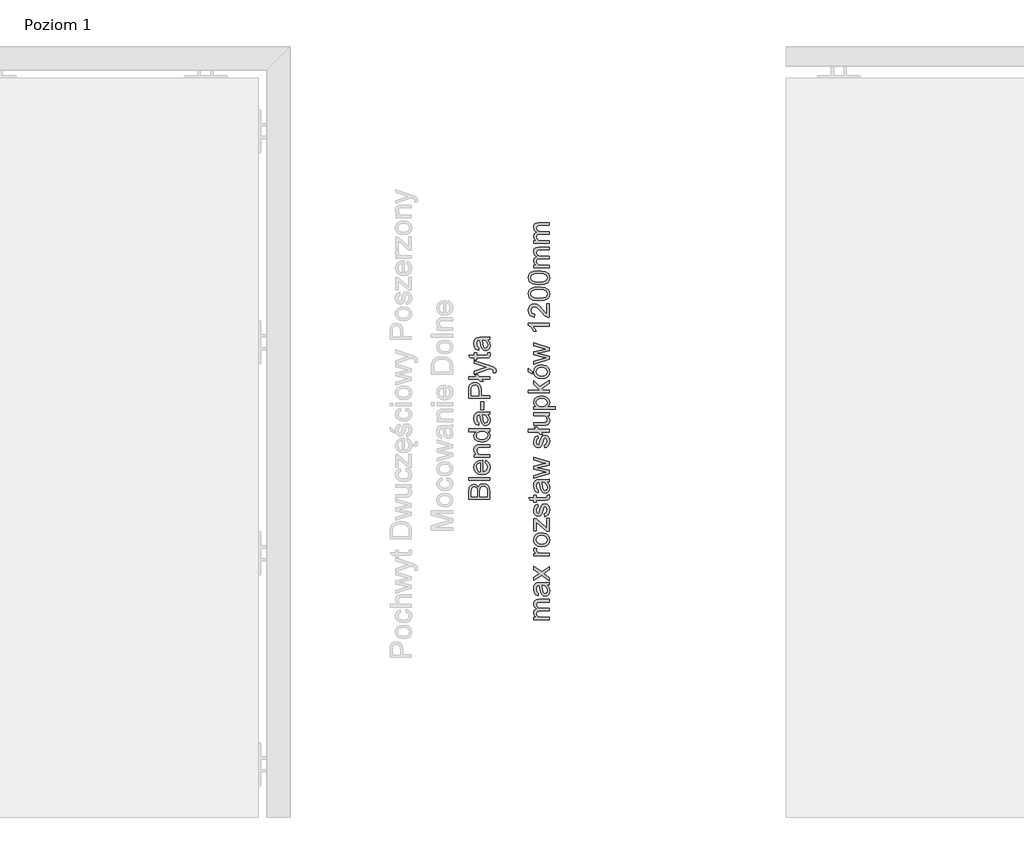
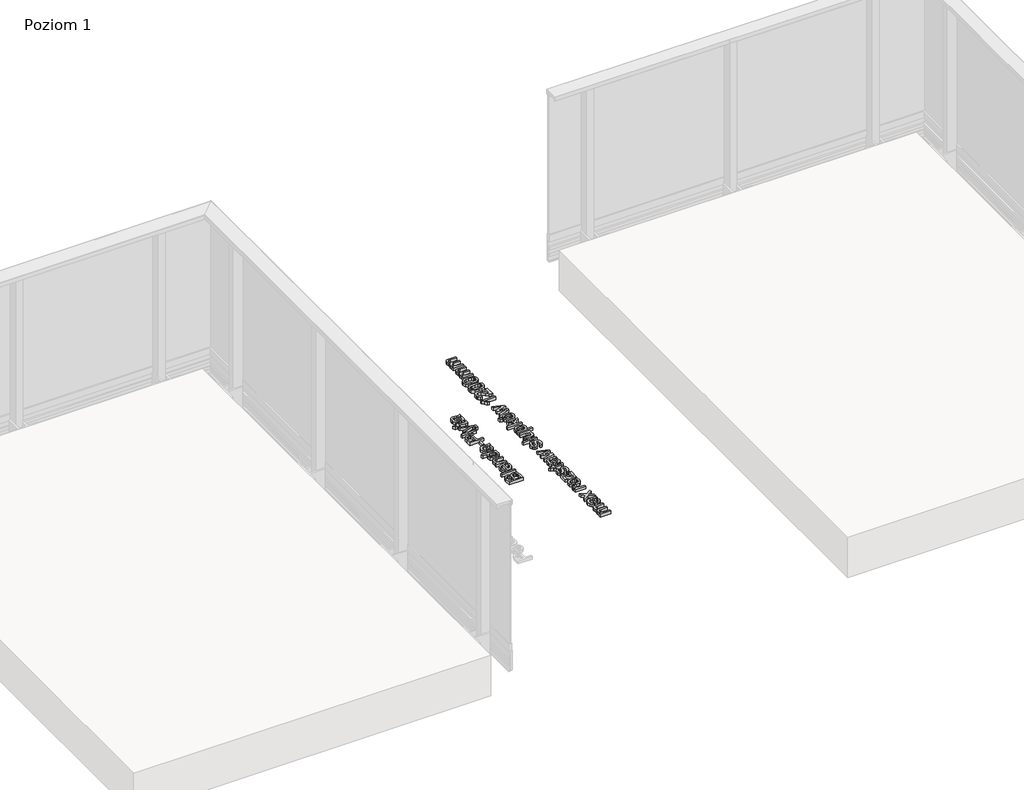
# One storey, part 20 of 35: 2 proxies.
"""IFC4 building model written with IfcOpenShell, lengths in millimetres."""

from ifc_helpers import new_model, si_unit, origin, origin_with_axes, place, context, project, spatial, polyline, outline, extrude, element, save

model = new_model("IFC4")

# Units and contexts
model_context = context("Model", 3, world=origin())
ifc_project = project(units=[si_unit("LENGTHUNIT", "METRE", prefix="MILLI")], contexts=[model_context])

# Site, building, storey
site = spatial("IfcSite", under=ifc_project)
building = spatial("IfcBuilding", under=site)
storey = spatial("IfcBuildingStorey", under=building, Name="Poziom 1", Elevation=0.0)

# Proxies
placement = place(None, origin())
element("IfcBuildingElementProxy", 1, Name="Generic Models", at=placement, inside=storey, context=model_context, shape_type="SweptSolid", body=[
    extrude(outline(polyline([(15487.3598268, -8124.2917723), (15386.9035167, -8124.2917723), (15386.9035167, -8085.9584684), (15389.8588354, -8067.184224), (15398.9455207, -8056.0987132), (15411.796865, -8052.0887994), (15423.5323007, -8055.461051), (15432.4227822, -8065.6513823), (15441.7915104, -8053.2782845), (15457.4142324, -8048.9495397), (15470.9155017, -8051.9048584), (15480.5294845, -8059.2257101), (15485.6307815, -8070.1518054), (15487.3598268, -8086.252774), (15487.3598268, -8124.2917723)]), holes=[polyline([(15427.7138927, -8111.7347336), (15427.7138927, -8088.8034225), (15426.6347722, -8075.4125179), (15421.9871963, -8067.3559022), (15413.8079533, -8064.6458382), (15405.6164475, -8067.1719612), (15400.7726679, -8074.4069738), (15399.4605555, -8090.5447307), (15399.4605555, -8111.7347336), (15427.7138927, -8111.7347336)]), polyline([(15474.8027881, -8111.7347336), (15474.8027881, -8085.9829939), (15474.3122788, -8076.6633167), (15471.5776893, -8068.7783793), (15465.9981457, -8063.5544549), (15457.5368598, -8061.5065785), (15447.7757242, -8063.9100742), (15441.9509259, -8071.6969098), (15440.2709315, -8087.2092672), (15440.2709315, -8111.7347336), (15474.8027881, -8111.7347336)])]), origin_with_axes(), (0.0, 0.0, 1.0), 20.0),
    extrude(outline(polyline([(15487.3598268, -8033.2532413), (15386.9035167, -8033.2532413), (15386.9035167, -8020.6962025), (15487.3598268, -8020.6962025), (15487.3598268, -8033.2532413)])), origin_with_axes(), (0.0, 0.0, 1.0), 20.0),
    extrude(outline(polyline([(15465.385009, -7950.2100122), (15466.9546388, -7937.8982281), (15476.2313965, -7942.3342718), (15483.1659721, -7949.4129346), (15487.4885855, -7958.9748008), (15488.9294567, -7970.8604549), (15486.4431875, -7985.5941288), (15478.9843801, -7996.9310256), (15467.0374123, -8004.1599068), (15451.0866621, -8006.5695339), (15434.5994174, -8004.1353814), (15422.2692392, -7996.8329237), (15414.5805055, -7985.6493111), (15412.0175942, -7971.5716934), (15414.5743741, -7957.9324684), (15422.2447137, -7947.0339643), (15434.5503664, -7939.8878566), (15451.0130857, -7937.5058207), (15454.3976001, -7937.5793971), (15454.3976001, -7994.0124951), (15463.7969851, -7991.8389257), (15470.7070352, -7986.7897453), (15474.9560722, -7979.5026161), (15476.3724179, -7970.6152002), (15473.748193, -7958.3034161), (15465.385009, -7950.2100122)]), holes=[polyline([(15441.8405613, -7994.0124951), (15441.8405613, -7950.0628594), (15430.4607449, -7955.09058), (15426.046161, -7962.4114317), (15424.574633, -7971.6207443), (15429.2712598, -7987.0840509), (15434.7618986, -7991.9492903), (15441.8405613, -7994.0124951)])]), origin_with_axes(), (0.0, 0.0, 1.0), 20.0),
    extrude(outline(polyline([(15487.3598268, -7924.9487819), (15413.5872241, -7924.9487819), (15413.5872241, -7912.3917431), (15423.8879199, -7912.3917431), (15414.9851757, -7902.790023), (15412.0175942, -7889.6811613), (15414.4088272, -7877.8230983), (15420.6873466, -7869.7296944), (15429.9211847, -7865.9650353), (15442.0612905, -7865.3028477), (15487.3598268, -7865.3028477), (15487.3598268, -7877.8598865), (15443.7535477, -7877.8598865), (15432.6435114, -7879.306889), (15426.7696622, -7884.4204488), (15424.574633, -7893.0411502), (15429.5042517, -7906.6650467), (15436.6472938, -7910.960069), (15448.2171826, -7912.3917431), (15487.3598268, -7912.3917431), (15487.3598268, -7924.9487819)])), origin_with_axes(), (0.0, 0.0, 1.0), 20.0),
    extrude(outline(polyline([(15487.3598268, -7802.5176539), (15475.5140266, -7802.5176539), (15485.5755992, -7810.8256556), (15488.9294567, -7822.3097052), (15484.0734144, -7837.8588509), (15470.5230942, -7848.8462598), (15450.5471019, -7852.745809), (15430.5588468, -7849.1528282), (15416.8000602, -7838.3861484), (15412.0175942, -7822.3587562), (15415.4388968, -7810.7827361), (15424.3293783, -7802.5176539), (15386.9035167, -7802.5176539), (15386.9035167, -7789.9606151), (15487.3598268, -7789.9606151), (15487.3598268, -7802.5176539)]), holes=[polyline([(15450.4980509, -7840.1887702), (15461.8564075, -7838.7724245), (15469.934483, -7834.5233875), (15474.7629342, -7828.3491013), (15476.3724179, -7821.1570083), (15474.8365106, -7813.967981), (15470.2287886, -7807.9500447), (15462.4634128, -7803.8757516), (15451.4545441, -7802.5176539), (15439.4186715, -7803.9002771), (15431.0738816, -7808.0481466), (15426.1994452, -7814.219367), (15424.574633, -7821.6720431), (15426.1350658, -7828.9377125), (15430.8163642, -7834.8912695), (15438.8576515, -7838.864395), (15450.4980509, -7840.1887702)])]), origin_with_axes(), (0.0, 0.0, 1.0), 20.0),
    extrude(outline(polyline([(15477.9420478, -7724.0361616), (15486.4523846, -7736.2130556), (15488.9294567, -7749.6652739), (15487.4395346, -7760.1591078), (15482.9697684, -7767.8999581), (15476.1823456, -7772.673227), (15467.7394538, -7774.2643167), (15457.8066399, -7771.860821), (15450.5961528, -7765.5455134), (15446.4758745, -7756.7531337), (15444.5874135, -7745.8883521), (15440.2709315, -7724.109738), (15437.4750283, -7724.0361616), (15428.204402, -7727.4942523), (15424.574633, -7741.3756663), (15426.9903914, -7754.0798579), (15435.5620419, -7760.1376481), (15433.9924121, -7772.6946868), (15421.7296789, -7767.262296), (15414.5437173, -7756.323938), (15412.0175942, -7739.7569855), (15414.2494117, -7724.5389337), (15419.8534807, -7715.9427577), (15428.3760803, -7712.0922595), (15439.3634892, -7711.4791228), (15454.9862113, -7711.4791228), (15476.8016136, -7710.8414607), (15487.3598268, -7708.3398631), (15487.3598268, -7720.8969019), (15477.9420478, -7724.0361616)]), holes=[polyline([(15452.8279702, -7724.0361616), (15456.6784685, -7744.2941968), (15458.7140822, -7755.0976647), (15462.0250201, -7759.9904953), (15466.856537, -7761.7072779), (15473.6500912, -7757.9671443), (15476.3724179, -7746.9919981), (15473.3680483, -7734.2878065), (15466.0962475, -7726.0963008), (15456.3841629, -7724.109738), (15452.8279702, -7724.0361616)])]), origin_with_axes(), (0.0, 0.0, 1.0), 20.0),
    extrude(outline(polyline([(15457.5368598, -7700.4917139), (15444.979821, -7700.4917139), (15444.979821, -7661.2509677), (15457.5368598, -7661.2509677), (15457.5368598, -7700.4917139)])), origin_with_axes(), (0.0, 0.0, 1.0), 20.0),
    extrude(outline(polyline([(15487.3598268, -7645.5546693), (15386.9035167, -7645.5546693), (15386.9035167, -7608.3250114), (15387.8600099, -7593.315426), (15392.5566367, -7581.1140065), (15402.2687214, -7573.2045436), (15415.9661943, -7570.2124367), (15427.8058632, -7572.232722), (15437.671232, -7578.2935778), (15444.3298961, -7589.627409), (15446.5494509, -7607.4666201), (15446.5494509, -7632.9976305), (15487.3598268, -7632.9976305), (15487.3598268, -7645.5546693)]), holes=[polyline([(15433.9924121, -7632.9976305), (15433.9924121, -7606.7308561), (15429.3816244, -7588.2386544), (15423.8327376, -7584.1367702), (15416.4076527, -7582.7694754), (15406.008855, -7585.9945743), (15400.3189468, -7594.4681229), (15399.4605555, -7607.0251617), (15399.4605555, -7632.9976305), (15433.9924121, -7632.9976305)])]), origin_with_axes(), (0.0, 0.0, 1.0), 20.0),
    extrude(outline(polyline([(15447.6530968, -7554.5161382), (15455.182415, -7563.9339173), (15441.0557464, -7563.9339173), (15433.5264282, -7554.5161382), (15386.9035167, -7554.5161382), (15386.9035167, -7541.9590994), (15423.470987, -7541.9590994), (15415.9416689, -7532.5413204), (15430.0683375, -7532.5413204), (15437.5976556, -7541.9590994), (15487.3598268, -7541.9590994), (15487.3598268, -7554.5161382), (15447.6530968, -7554.5161382)])), origin_with_axes(), (0.0, 0.0, 1.0), 20.0),
    extrude(outline(polyline([(15515.6131641, -7523.1235413), (15503.5221092, -7524.6931711), (15504.6257552, -7518.3165499), (15503.2400663, -7512.3568616), (15499.3773054, -7508.7025671), (15490.1312045, -7505.2690018), (15487.0900467, -7504.2879831), (15413.5872241, -7530.9716905), (15413.5872241, -7517.7279387), (15454.5447529, -7503.5767446), (15470.9277644, -7498.6471259), (15456.4577393, -7493.7175071), (15413.5872241, -7479.1739056), (15413.5872241, -7466.0282556), (15489.1256604, -7491.7064189), (15505.5086719, -7498.3773458), (15514.3623653, -7505.6614093), (15517.1827939, -7515.4470703), (15515.6131641, -7523.1235413)])), origin_with_axes(), (0.0, 0.0, 1.0), 20.0),
    extrude(outline(polyline([(15476.8874527, -7428.9457505), (15487.7277088, -7427.3761207), (15488.9294567, -7436.7693743), (15486.8447921, -7447.2907994), (15481.3756131, -7452.5392492), (15467.1263171, -7454.0598281), (15426.1442629, -7454.0598281), (15426.1442629, -7463.4776071), (15413.5872241, -7463.4776071), (15413.5872241, -7454.0598281), (15395.6591082, -7454.0598281), (15388.2769428, -7441.5027893), (15413.5872241, -7441.5027893), (15413.5872241, -7428.9457505), (15426.1442629, -7428.9457505), (15426.1442629, -7441.5027893), (15466.7584351, -7441.5027893), (15473.2331582, -7440.8406017), (15475.5262893, -7438.6946234), (15476.3724179, -7434.4149295), (15476.8874527, -7428.9457505)])), origin_with_axes(), (0.0, 0.0, 1.0), 20.0),
    extrude(outline(polyline([(15477.9420478, -7369.2998164), (15486.4523846, -7381.4767104), (15488.9294567, -7394.9289287), (15487.4395346, -7405.4227626), (15482.9697684, -7413.1636129), (15476.1823456, -7417.9368818), (15467.7394538, -7419.5279715), (15457.8066399, -7417.1244757), (15450.5961528, -7410.8091682), (15446.4758745, -7402.0167885), (15444.5874135, -7391.1520069), (15440.2709315, -7369.3733928), (15437.4750283, -7369.2998164), (15428.204402, -7372.7579071), (15424.574633, -7386.6393211), (15426.9903914, -7399.3435126), (15435.5620419, -7405.4013028), (15433.9924121, -7417.9583416), (15421.7296789, -7412.5259508), (15414.5437173, -7401.5875928), (15412.0175942, -7385.0206403), (15414.2494117, -7369.8025884), (15419.8534807, -7361.2064125), (15428.3760803, -7357.3559143), (15439.3634892, -7356.7427776), (15454.9862113, -7356.7427776), (15476.8016136, -7356.1051155), (15487.3598268, -7353.6035179), (15487.3598268, -7366.1605567), (15477.9420478, -7369.2998164)]), holes=[polyline([(15452.8279702, -7369.2998164), (15456.6784685, -7389.5578516), (15458.7140822, -7400.3613195), (15462.0250201, -7405.25415), (15466.856537, -7406.9709327), (15473.6500912, -7403.2307991), (15476.3724179, -7392.2556529), (15473.3680483, -7379.5514613), (15466.0962475, -7371.3599555), (15456.3841629, -7369.3733928), (15452.8279702, -7369.2998164)])]), origin_with_axes(), (0.0, 0.0, 1.0), 20.0),
])
element("IfcBuildingElementProxy", 2, Name="Generic Models", at=placement, inside=storey, context=model_context, shape_type="SweptSolid", body=[
    extrude(outline(polyline([(15769.7173752, -8695.0976583), (15695.9447724, -8695.0976583), (15695.9447724, -8682.5406196), (15708.0848783, -8682.5406196), (15698.1398017, -8673.9076554), (15694.3751426, -8661.6203968), (15698.2133781, -8649.0388325), (15708.9677951, -8642.122651), (15698.0233057, -8632.3247272), (15694.3751426, -8619.9516294), (15695.8926558, -8610.5123906), (15700.4451955, -8603.5318297), (15708.155389, -8599.2184133), (15719.1458636, -8597.7806079), (15769.7173752, -8597.7806079), (15769.7173752, -8610.3376466), (15724.5414662, -8610.3376466), (15714.0568293, -8611.5026063), (15708.8942187, -8615.7209865), (15706.9321813, -8622.8946854), (15711.959902, -8635.2432577), (15718.5020701, -8638.9312747), (15728.0731333, -8640.1606137), (15769.7173752, -8640.1606137), (15769.7173752, -8652.7176525), (15723.1435146, -8652.7176525), (15710.9788833, -8655.6239202), (15706.9321813, -8665.1520639), (15709.6299826, -8674.4472157), (15717.5271828, -8680.6276332), (15732.5122427, -8682.5406196), (15769.7173752, -8682.5406196), (15769.7173752, -8695.0976583)])), origin_with_axes(), (0.0, 0.0, 1.0), 20.0),
    extrude(outline(polyline([(15760.2995961, -8531.8561543), (15768.8099329, -8544.0330484), (15771.287005, -8557.4852667), (15769.797083, -8567.9791006), (15765.3273167, -8575.7199509), (15758.5398939, -8580.4932198), (15750.0970021, -8582.0843094), (15740.1641882, -8579.6808137), (15732.9537011, -8573.3655061), (15728.8334228, -8564.5731264), (15726.9449619, -8553.7083448), (15722.6284798, -8531.9297307), (15719.8325766, -8531.8561543), (15710.5619504, -8535.3142451), (15706.9321813, -8549.195659), (15709.3479398, -8561.8998506), (15717.9195903, -8567.9576408), (15716.3499604, -8580.5146796), (15704.0872273, -8575.0822888), (15696.9012656, -8564.1439308), (15694.3751426, -8547.5769783), (15696.60696, -8532.3589264), (15702.2110291, -8523.7627504), (15710.7336286, -8519.9122522), (15721.7210376, -8519.2991156), (15737.3437596, -8519.2991156), (15759.1591619, -8518.6614534), (15769.7173752, -8516.1598559), (15769.7173752, -8528.7168946), (15760.2995961, -8531.8561543)]), holes=[polyline([(15735.1855186, -8531.8561543), (15739.0360168, -8552.1141895), (15741.0716305, -8562.9176575), (15744.3825685, -8567.810488), (15749.2140853, -8569.5272706), (15756.0076395, -8565.787137), (15758.7299663, -8554.8119908), (15755.7255966, -8542.1077993), (15748.4537959, -8533.9162935), (15738.7417112, -8531.9297307), (15735.1855186, -8531.8561543)])]), origin_with_axes(), (0.0, 0.0, 1.0), 20.0),
    extrude(outline(polyline([(15769.7173752, -8509.8813365), (15732.6348701, -8483.0504763), (15695.9447724, -8508.3117066), (15695.9447724, -8493.2040194), (15713.6031082, -8481.0148626), (15721.9417668, -8475.3249544), (15715.1236871, -8470.3953357), (15695.9447724, -8456.5139217), (15695.9447724, -8441.4062344), (15732.6348701, -8467.942789), (15769.7173752, -8442.3872531), (15769.7173752, -8457.4949404), (15747.4237263, -8472.8724078), (15743.3524989, -8475.6928364), (15769.7173752, -8494.7736492), (15769.7173752, -8509.8813365)])), origin_with_axes(), (0.0, 0.0, 1.0), 20.0),
    extrude(outline(polyline([(15769.7173752, -8392.159098), (15695.9447724, -8392.159098), (15695.9447724, -8381.1716891), (15706.858605, -8381.1716891), (15696.8031637, -8373.3725908), (15694.3751426, -8365.5244416), (15698.2501663, -8352.9183519), (15709.5073553, -8357.1122066), (15706.9321813, -8365.9413745), (15709.4092535, -8373.041497), (15716.276384, -8377.5664456), (15730.9426129, -8379.6020593), (15769.7173752, -8379.6020593), (15769.7173752, -8392.159098)])), origin_with_axes(), (0.0, 0.0, 1.0), 20.0),
    extrude(outline(polyline([(15732.8310738, -8348.2094623), (15715.0439793, -8345.4932669), (15702.5421229, -8337.3446807), (15696.4168877, -8327.2769768), (15694.3751426, -8315.2227101), (15696.8614117, -8302.0310749), (15704.3202192, -8291.4943214), (15716.1629537, -8284.587337), (15731.8010042, -8282.2850088), (15754.1437041, -8286.3562362), (15766.786582, -8298.2142992), (15771.287005, -8315.2227101), (15768.8099329, -8328.5737608), (15761.3787166, -8339.0982516), (15749.2876617, -8345.9316596), (15732.8310738, -8348.2094623)]), holes=[polyline([(15732.8065483, -8335.6524236), (15744.1710363, -8334.1992897), (15752.2675059, -8329.839888), (15757.1143512, -8323.2793258), (15758.7299663, -8315.2227101), (15757.1051541, -8307.2028826), (15752.2307177, -8300.6545831), (15744.0269492, -8296.2951815), (15732.4141409, -8294.8420476), (15721.3807467, -8296.3043785), (15713.3946417, -8300.6913713), (15708.5477964, -8307.2488679), (15706.9321813, -8315.2227101), (15708.5416651, -8323.2793258), (15713.3701163, -8329.839888), (15721.4481917, -8334.1992897), (15732.8065483, -8335.6524236)])]), origin_with_axes(), (0.0, 0.0, 1.0), 20.0),
    extrude(outline(polyline([(15769.7173752, -8276.0064894), (15757.8961004, -8276.0064894), (15708.5018112, -8232.6699904), (15708.5018112, -8245.4968093), (15708.5018112, -8272.8672297), (15695.9447724, -8272.8672297), (15695.9447724, -8214.7909254), (15706.6133503, -8214.7909254), (15750.4403586, -8253.2223312), (15757.1603364, -8259.1084431), (15757.1603364, -8244.589367), (15757.1603364, -8213.2212956), (15769.7173752, -8213.2212956), (15769.7173752, -8276.0064894)])), origin_with_axes(), (0.0, 0.0, 1.0), 20.0),
    extrude(outline(polyline([(15747.7425573, -8205.3731463), (15746.1729275, -8192.8161076), (15755.4926047, -8187.003572), (15758.7299663, -8173.6862438), (15755.7623848, -8160.8839504), (15748.7971524, -8156.7146211), (15743.1562951, -8160.9084759), (15739.5755771, -8173.8333966), (15733.4319477, -8192.7425312), (15726.2582488, -8200.9953506), (15716.1292312, -8203.8035165), (15706.7727658, -8201.5471736), (15699.6235924, -8195.3912815), (15695.9079842, -8187.4082422), (15694.3751426, -8176.6047743), (15696.8399519, -8161.3254088), (15703.5108788, -8151.6133241), (15714.7803306, -8147.296842), (15716.3499604, -8159.8538808), (15709.4215162, -8164.5750331), (15706.9321813, -8175.6237557), (15709.3111516, -8187.6412342), (15714.853907, -8191.2464777), (15718.5082015, -8189.7504243), (15721.2795792, -8185.0660602), (15723.952855, -8174.2503296), (15729.8634924, -8155.8194416), (15736.5589447, -8147.2600538), (15747.4727772, -8144.1575823), (15759.4902557, -8147.7996141), (15768.209059, -8158.3087764), (15771.287005, -8173.8579221), (15769.8032143, -8186.5191941), (15765.3518422, -8195.7591635), (15757.9819395, -8201.9273183), (15747.7425573, -8205.3731463)])), origin_with_axes(), (0.0, 0.0, 1.0), 20.0),
    extrude(outline(polyline([(15759.2450011, -8103.3472063), (15770.0852572, -8101.7775765), (15771.287005, -8111.1708301), (15769.2023404, -8121.6922552), (15763.7331614, -8126.940705), (15749.4838655, -8128.4612839), (15708.5018112, -8128.4612839), (15708.5018112, -8137.879063), (15695.9447724, -8137.879063), (15695.9447724, -8128.4612839), (15678.0166565, -8128.4612839), (15670.6344912, -8115.9042451), (15695.9447724, -8115.9042451), (15695.9447724, -8103.3472063), (15708.5018112, -8103.3472063), (15708.5018112, -8115.9042451), (15749.1159835, -8115.9042451), (15755.5907066, -8115.2420575), (15757.8838377, -8113.0960792), (15758.7299663, -8108.8163853), (15759.2450011, -8103.3472063)])), origin_with_axes(), (0.0, 0.0, 1.0), 20.0),
    extrude(outline(polyline([(15760.2995961, -8043.7012722), (15768.8099329, -8055.8781662), (15771.287005, -8069.3303845), (15769.797083, -8079.8242184), (15765.3273167, -8087.5650688), (15758.5398939, -8092.3383376), (15750.0970021, -8093.9294273), (15740.1641882, -8091.5259316), (15732.9537011, -8085.210624), (15728.8334228, -8076.4182443), (15726.9449619, -8065.5534627), (15722.6284798, -8043.7748486), (15719.8325766, -8043.7012722), (15710.5619504, -8047.1593629), (15706.9321813, -8061.0407769), (15709.3479398, -8073.7449685), (15717.9195903, -8079.8027587), (15716.3499604, -8092.3597974), (15704.0872273, -8086.9274066), (15696.9012656, -8075.9890486), (15694.3751426, -8059.4220961), (15696.60696, -8044.2040443), (15702.2110291, -8035.6078683), (15710.7336286, -8031.7573701), (15721.7210376, -8031.1442334), (15737.3437596, -8031.1442334), (15759.1591619, -8030.5065713), (15769.7173752, -8028.0049737), (15769.7173752, -8040.5620125), (15760.2995961, -8043.7012722)]), holes=[polyline([(15735.1855186, -8043.7012722), (15739.0360168, -8063.9593074), (15741.0716305, -8074.7627753), (15744.3825685, -8079.6556059), (15749.2140853, -8081.3723885), (15756.0076395, -8077.6322549), (15758.7299663, -8066.6571087), (15755.7255966, -8053.9529171), (15748.4537959, -8045.7614114), (15738.7417112, -8043.7748486), (15735.1855186, -8043.7012722)])]), origin_with_axes(), (0.0, 0.0, 1.0), 20.0),
    extrude(outline(polyline([(15769.7173752, -8001.6400974), (15695.9447724, -8024.0808991), (15695.9447724, -8011.033351), (15738.9869659, -7998.304634), (15754.3644333, -7994.5031867), (15739.5510516, -7991.3884525), (15695.9447724, -7981.2594349), (15695.9447724, -7966.2989004), (15739.4284243, -7956.2189337), (15752.8438543, -7953.447556), (15738.6926603, -7949.4744305), (15695.9447724, -7936.721188), (15695.9447724, -7923.624589), (15769.7173752, -7946.2370689), (15769.7173752, -7961.4183326), (15726.4544526, -7971.0568409), (15712.9654461, -7973.852744), (15769.7173752, -7986.2871555), (15769.7173752, -8001.6400974)])), origin_with_axes(), (0.0, 0.0, 1.0), 20.0),
    extrude(outline(polyline([(15747.7425573, -7880.4597682), (15746.1729275, -7867.9027294), (15755.4926047, -7862.0901939), (15758.7299663, -7848.7728657), (15755.7623848, -7835.9705723), (15748.7971524, -7831.801243), (15743.1562951, -7835.9950977), (15739.5755771, -7848.9200185), (15733.4319477, -7867.829153), (15726.2582488, -7876.0819725), (15716.1292312, -7878.8901384), (15706.7727658, -7876.6337955), (15699.6235924, -7870.4779034), (15695.9079842, -7862.4948641), (15694.3751426, -7851.6913962), (15696.8399519, -7836.4120306), (15703.5108788, -7826.699946), (15714.7803306, -7822.3834639), (15716.3499604, -7834.9405027), (15709.4215162, -7839.6616549), (15706.9321813, -7850.7103775), (15709.3111516, -7862.727856), (15714.853907, -7866.3330996), (15718.5082015, -7864.8370461), (15721.2795792, -7860.1526821), (15723.952855, -7849.3369514), (15729.8634924, -7830.9060635), (15736.5589447, -7822.3466757), (15747.4727772, -7819.2442042), (15759.4902557, -7822.886236), (15768.209059, -7833.3953983), (15771.287005, -7848.9445439), (15769.8032143, -7861.6058159), (15765.3518422, -7870.8457854), (15757.9819395, -7877.0139402), (15747.7425573, -7880.4597682)])), origin_with_axes(), (0.0, 0.0, 1.0), 20.0),
    extrude(outline(polyline([(15730.0106452, -7805.1175356), (15737.5399633, -7814.5353147), (15723.4132947, -7814.5353147), (15715.8839766, -7805.1175356), (15669.261065, -7805.1175356), (15669.261065, -7792.5604968), (15705.8285354, -7792.5604968), (15698.2992172, -7783.1427177), (15712.4258858, -7783.1427177), (15719.955204, -7792.5604968), (15769.7173752, -7792.5604968), (15769.7173752, -7805.1175356), (15730.0106452, -7805.1175356)])), origin_with_axes(), (0.0, 0.0, 1.0), 20.0),
    extrude(outline(polyline([(15769.7173752, -7726.6360433), (15757.0377091, -7726.6360433), (15767.7246811, -7736.4707553), (15771.287005, -7749.2975742), (15768.7854075, -7761.1065862), (15762.5068881, -7769.2490411), (15753.2607873, -7772.9891747), (15741.5866653, -7773.7249387), (15695.9447724, -7773.7249387), (15695.9447724, -7761.1678999), (15735.6760279, -7761.1678999), (15748.4783213, -7760.4076104), (15755.9953768, -7755.4412035), (15758.7299663, -7746.0847381), (15755.9340631, -7735.6001012), (15748.3189058, -7728.671657), (15734.3271273, -7726.6360433), (15695.9447724, -7726.6360433), (15695.9447724, -7714.0790045), (15769.7173752, -7714.0790045), (15769.7173752, -7726.6360433)])), origin_with_axes(), (0.0, 0.0, 1.0), 20.0),
    extrude(outline(polyline([(15797.9707124, -7696.8130762), (15695.9447724, -7696.8130762), (15695.9447724, -7684.2560374), (15708.2565565, -7684.2560374), (15697.8454961, -7675.5740224), (15694.3751426, -7663.8508494), (15699.2311849, -7647.9338218), (15712.9163951, -7637.5350241), (15732.2669881, -7634.0278824), (15752.6108624, -7637.9887452), (15766.4677509, -7649.4911889), (15771.287005, -7665.3714284), (15768.0619062, -7676.2975236), (15759.9071887, -7684.2560374), (15797.9707124, -7684.2560374), (15797.9707124, -7696.8130762)]), holes=[polyline([(15733.419685, -7684.2560374), (15744.6768741, -7682.8979397), (15752.5495488, -7678.8236466), (15757.1848619, -7672.8118417), (15758.7299663, -7665.6412085), (15757.1296796, -7658.3540793), (15752.3288196, -7652.1889902), (15744.1679706, -7647.9859384), (15732.4877173, -7646.5849211), (15721.2918419, -7647.9522159), (15713.3088026, -7652.0541001), (15708.5263367, -7658.056708), (15706.9321813, -7665.1261737), (15708.6275042, -7672.2232305), (15713.7134728, -7678.4557647), (15722.0306716, -7682.8059692), (15733.419685, -7684.2560374)])]), origin_with_axes(), (0.0, 0.0, 1.0), 20.0),
    extrude(outline(polyline([(15769.7173752, -7619.9012138), (15669.261065, -7619.9012138), (15669.261065, -7607.344175), (15723.2416165, -7607.344175), (15695.9447724, -7579.1889396), (15695.9447724, -7561.8249094), (15723.584973, -7590.3235013), (15769.7173752, -7560.2552796), (15769.7173752, -7574.9215085), (15732.316039, -7599.3243475), (15740.0906118, -7607.344175), (15769.7173752, -7607.344175), (15769.7173752, -7619.9012138)])), origin_with_axes(), (0.0, 0.0, 1.0), 20.0),
    extrude(outline(polyline([(15732.8310738, -7552.4071304), (15715.0439793, -7549.690935), (15702.5421229, -7541.5423488), (15696.4168877, -7531.4746448), (15694.3751426, -7519.4203781), (15696.8614117, -7506.2287429), (15704.3202192, -7495.6919894), (15716.1629537, -7488.785005), (15731.8010042, -7486.4826768), (15754.1437041, -7490.5539042), (15766.786582, -7502.4119672), (15771.287005, -7519.4203781), (15768.8099329, -7532.7714289), (15761.3787166, -7543.2959196), (15749.2876617, -7550.1293277), (15732.8310738, -7552.4071304)]), holes=[polyline([(15732.8065483, -7539.8500916), (15744.1710363, -7538.3969577), (15752.2675059, -7534.0375561), (15757.1143512, -7527.4769938), (15758.7299663, -7519.4203781), (15757.1051541, -7511.4005506), (15752.2307177, -7504.8522511), (15744.0269492, -7500.4928495), (15732.4141409, -7499.0397156), (15721.3807467, -7500.5020465), (15713.3946417, -7504.8890393), (15708.5477964, -7511.4465359), (15706.9321813, -7519.4203781), (15708.5416651, -7527.4769938), (15713.3701163, -7534.0375561), (15721.4481917, -7538.3969577), (15732.8065483, -7539.8500916)])]), origin_with_axes(), (0.0, 0.0, 1.0), 20.0),
    extrude(outline(polyline([(15688.0966232, -7528.8626827), (15669.261065, -7519.4449036), (15669.261065, -7503.7486051), (15688.0966232, -7519.4449036), (15688.0966232, -7528.8626827)])), origin_with_axes(), (0.0, 0.0, 1.0), 20.0),
    extrude(outline(polyline([(15769.7173752, -7460.1178005), (15695.9447724, -7482.5586022), (15695.9447724, -7469.5110541), (15738.9869659, -7456.7823371), (15754.3644333, -7452.9808898), (15739.5510516, -7449.8661556), (15695.9447724, -7439.737138), (15695.9447724, -7424.7766035), (15739.4284243, -7414.6966368), (15752.8438543, -7411.9252591), (15738.6926603, -7407.9521336), (15695.9447724, -7395.1988911), (15695.9447724, -7382.1022921), (15769.7173752, -7404.714772), (15769.7173752, -7419.8960357), (15726.4544526, -7429.534544), (15712.9654461, -7432.3304471), (15769.7173752, -7444.7648586), (15769.7173752, -7460.1178005)])), origin_with_axes(), (0.0, 0.0, 1.0), 20.0),
    extrude(outline(polyline([(15769.7173752, -7290.2789461), (15769.7173752, -7302.8359848), (15691.4320866, -7302.8359848), (15699.9056352, -7314.730836), (15706.2454683, -7327.9500624), (15694.3751426, -7327.9500624), (15682.6274442, -7309.5436999), (15669.261065, -7298.37235), (15669.261065, -7290.2789461), (15769.7173752, -7290.2789461)])), origin_with_axes(), (0.0, 0.0, 1.0), 20.0),
    extrude(outline(polyline([(15757.1603364, -7196.1011553), (15769.7173752, -7196.1011553), (15769.7173752, -7262.0256088), (15761.0598856, -7260.6767082), (15747.7302946, -7253.0492882), (15733.1744303, -7237.3284642), (15712.2542075, -7215.647952), (15698.0294371, -7210.2278239), (15686.5147306, -7215.3413837), (15681.8181038, -7228.6955001), (15686.404366, -7242.6137022), (15699.0840321, -7247.8989402), (15697.5144023, -7260.455979), (15685.3681651, -7257.4117555), (15676.4960776, -7250.8297335), (15671.0698182, -7241.0532694), (15669.261065, -7228.42572), (15671.2721533, -7215.7062), (15677.305418, -7205.94813), (15686.3185269, -7199.7401214), (15697.2691476, -7197.6707852), (15709.1762615, -7199.9026026), (15721.4880456, -7207.3215562), (15738.6926603, -7225.3109857), (15750.7714524, -7239.7564854), (15757.1603364, -7245.4218681), (15757.1603364, -7196.1011553)])), origin_with_axes(), (0.0, 0.0, 1.0), 20.0),
    extrude(outline(polyline([(15720.2985605, -7183.5441165), (15691.3952984, -7179.8530339), (15674.730244, -7168.8901504), (15669.261065, -7150.5818898), (15672.4984266, -7135.9156609), (15681.8303665, -7125.7866433), (15696.6927992, -7119.9005314), (15720.2985605, -7117.619663), (15749.0791953, -7121.2739575), (15765.7810378, -7132.2000527), (15769.9105132, -7140.4314124), (15771.287005, -7150.5818898), (15768.8957721, -7163.6294379), (15761.7220732, -7173.5377263), (15744.7320564, -7181.042519), (15720.2985605, -7183.5441165)]), holes=[polyline([(15720.274035, -7170.9870778), (15740.0262325, -7169.5155498), (15751.4581655, -7165.1009658), (15756.9120161, -7158.5281409), (15758.7299663, -7150.5818898), (15756.9058847, -7142.6356387), (15751.43364, -7136.0628137), (15739.9955757, -7131.6482298), (15720.274035, -7130.1767018), (15700.9663617, -7131.5991788), (15689.4455238, -7135.86661), (15683.7249588, -7142.4271722), (15681.8181038, -7150.7290426), (15683.4980983, -7158.5894545), (15688.5380816, -7164.9047621), (15700.7762893, -7169.4664989), (15720.274035, -7170.9870778)])]), origin_with_axes(), (0.0, 0.0, 1.0), 20.0),
    extrude(outline(polyline([(15720.2985605, -7106.6322541), (15691.3952984, -7102.9411714), (15674.730244, -7091.9782879), (15669.261065, -7073.6700273), (15672.4984266, -7059.0037984), (15681.8303665, -7048.8747808), (15696.6927992, -7042.9886689), (15720.2985605, -7040.7078005), (15749.0791953, -7044.362095), (15765.7810378, -7055.2881903), (15769.9105132, -7063.5195499), (15771.287005, -7073.6700273), (15768.8957721, -7086.7175754), (15761.7220732, -7096.6258638), (15744.7320564, -7104.1306565), (15720.2985605, -7106.6322541)]), holes=[polyline([(15720.274035, -7094.0752153), (15740.0262325, -7092.6036873), (15751.4581655, -7088.1891034), (15756.9120161, -7081.6162784), (15758.7299663, -7073.6700273), (15756.9058847, -7065.7237762), (15751.43364, -7059.1509512), (15739.9955757, -7054.7363673), (15720.274035, -7053.2648393), (15700.9663617, -7054.6873164), (15689.4455238, -7058.9547475), (15683.7249588, -7065.5153098), (15681.8181038, -7073.8171801), (15683.4980983, -7081.6775921), (15688.5380816, -7087.9928997), (15700.7762893, -7092.5546364), (15720.274035, -7094.0752153)])]), origin_with_axes(), (0.0, 0.0, 1.0), 20.0),
    extrude(outline(polyline([(15769.7173752, -7026.5811319), (15695.9447724, -7026.5811319), (15695.9447724, -7014.0240932), (15708.0848783, -7014.0240932), (15698.1398017, -7005.391129), (15694.3751426, -6993.1038704), (15698.2133781, -6980.5223061), (15708.9677951, -6973.6061246), (15698.0233057, -6963.8082008), (15694.3751426, -6951.435103), (15695.8926558, -6941.9958642), (15700.4451955, -6935.0153033), (15708.155389, -6930.7018869), (15719.1458636, -6929.2640815), (15769.7173752, -6929.2640815), (15769.7173752, -6941.8211202), (15724.5414662, -6941.8211202), (15714.0568293, -6942.9860799), (15708.8942187, -6947.2044601), (15706.9321813, -6954.378159), (15711.959902, -6966.7267313), (15718.5020701, -6970.4147483), (15728.0731333, -6971.6440873), (15769.7173752, -6971.6440873), (15769.7173752, -6984.2011261), (15723.1435146, -6984.2011261), (15710.9788833, -6987.1073938), (15706.9321813, -6996.6355375), (15709.6299826, -7005.9306893), (15717.5271828, -7012.1111068), (15732.5122427, -7014.0240932), (15769.7173752, -7014.0240932), (15769.7173752, -7026.5811319)])), origin_with_axes(), (0.0, 0.0, 1.0), 20.0),
    extrude(outline(polyline([(15769.7173752, -6910.4285233), (15695.9447724, -6910.4285233), (15695.9447724, -6897.8714846), (15708.0848783, -6897.8714846), (15698.1398017, -6889.2385204), (15694.3751426, -6876.9512618), (15698.2133781, -6864.3696975), (15708.9677951, -6857.453516), (15698.0233057, -6847.6555922), (15694.3751426, -6835.2824944), (15695.8926558, -6825.8432556), (15700.4451955, -6818.8626947), (15708.155389, -6814.5492783), (15719.1458636, -6813.1114729), (15769.7173752, -6813.1114729), (15769.7173752, -6825.6685116), (15724.5414662, -6825.6685116), (15714.0568293, -6826.8334713), (15708.8942187, -6831.0518515), (15706.9321813, -6838.2255504), (15711.959902, -6850.5741227), (15718.5020701, -6854.2621397), (15728.0731333, -6855.4914787), (15769.7173752, -6855.4914787), (15769.7173752, -6868.0485175), (15723.1435146, -6868.0485175), (15710.9788833, -6870.9547852), (15706.9321813, -6880.4829289), (15709.6299826, -6889.7780807), (15717.5271828, -6895.9584982), (15732.5122427, -6897.8714846), (15769.7173752, -6897.8714846), (15769.7173752, -6910.4285233)])), origin_with_axes(), (0.0, 0.0, 1.0), 20.0),
])

save(model, "model.ifc")
